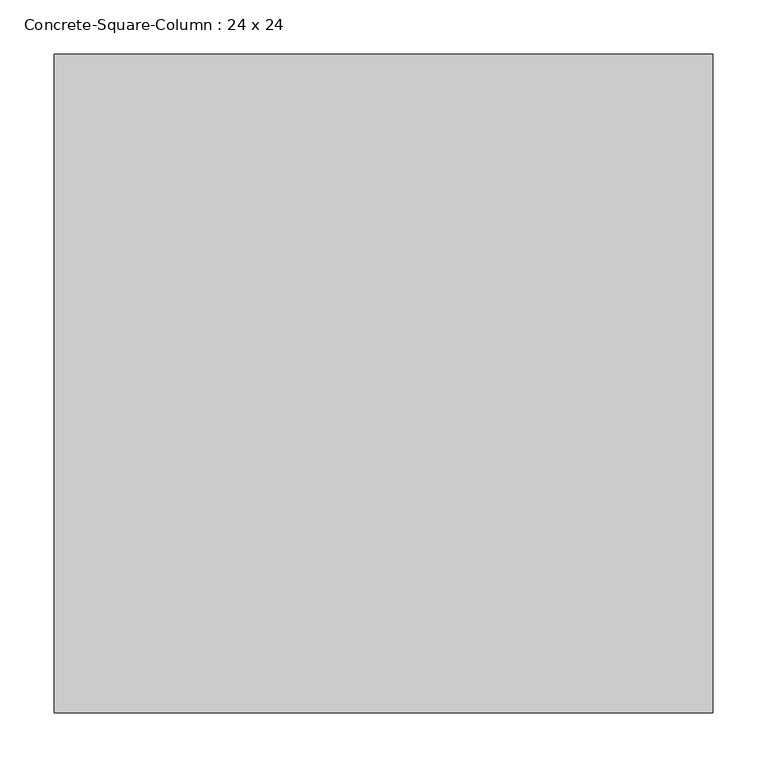
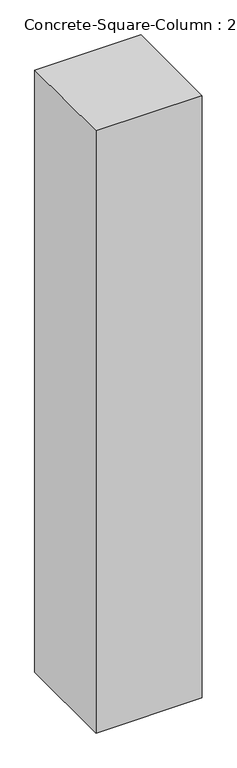
"""IFC4 building model written with IfcOpenShell, lengths in millimetres: column geometry, Concrete-Square-Column : 24 x 24."""

from ifc_helpers import new_model, si_unit, frame, origin, place, context, project, spatial, polyline, outline, extrude, source, transform, mapped, element, save


def concrete_square_column_24_x_24_cd5489e6(model_context):
    return source(origin(), model_context, "Body", "SweptSolid", [
        extrude(outline(polyline([(304.8, 304.8), (304.8, -304.8), (-304.8, -304.8), (-304.8, 304.8), (304.8, 304.8)])), frame((0.0, 0.0, 39776.4), z_axis=(0.0, 0.0, 1.0), x_axis=(1.0, 0.0, 0.0)), (0.0, 0.0, 1.0), 3657.6),
    ])


if __name__ == "__main__":
    model = new_model("IFC4")
    model_context = context("Model", 3, world=origin())
    ifc_project = project(units=[si_unit("LENGTHUNIT", "METRE", prefix="MILLI")], contexts=[model_context])
    site = spatial("IfcSite", under=ifc_project)
    building = spatial("IfcBuilding", under=site)
    placement = place(None, origin())
    concrete_square_column_24_x_24_shape = concrete_square_column_24_x_24_cd5489e6(model_context)
    element("IfcColumn", 1, ObjectType="Concrete-Square-Column : 24 x 24", at=placement, inside=building, context=model_context, shape_type="MappedRepresentation", body=[
        mapped(concrete_square_column_24_x_24_shape, transform((0.0, 0.0, 0.0), x_axis=(1.0, 0.0, 0.0), y_axis=(0.0, 1.0, 0.0), z_axis=(0.0, 0.0, 1.0))),
    ])
    save(model, "model.ifc")
